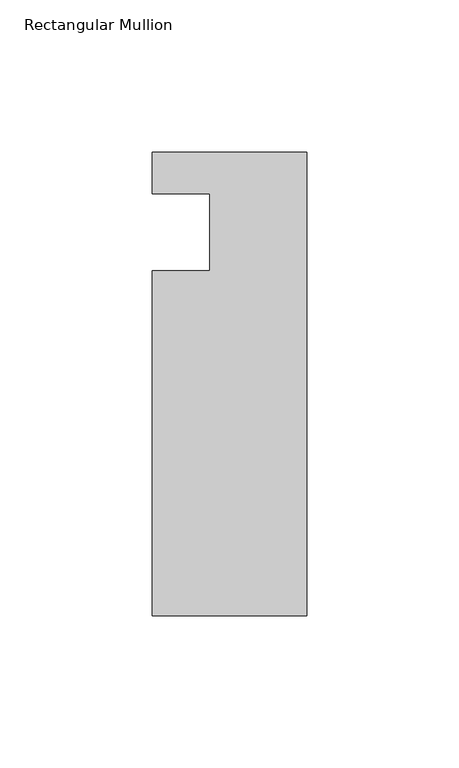
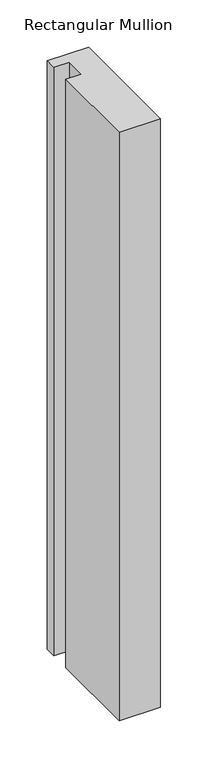
"""IFC4 building model written with IfcOpenShell, lengths in millimetres: member geometry, Rectangular Mullion."""

from ifc_helpers import new_model, si_unit, frame, origin, place, context, project, spatial, polyline, outline, extrude, source, transform, mapped, element, save


def rectangular_mullion_6863dba8(model_context):
    return source(origin(), model_context, "Body", "SweptSolid", [
        extrude(outline(polyline([(-50.8, 13.6728928), (0.0, 13.6728928), (0.0, -138.7271072), (-50.8, -138.7271072), (-50.8, -25.4), (-31.75, -25.4), (-31.75, 0.0), (-50.8, 0.0), (-50.8, 13.6728928)])), frame((0.0, 0.0, -762.0), z_axis=(0.0, 0.0, 1.0), x_axis=(1.0, 0.0, 0.0)), (0.0, 0.0, 1.0), 762.0),
    ])


if __name__ == "__main__":
    model = new_model("IFC4")
    model_context = context("Model", 3, world=origin())
    ifc_project = project(units=[si_unit("LENGTHUNIT", "METRE", prefix="MILLI")], contexts=[model_context])
    site = spatial("IfcSite", under=ifc_project)
    building = spatial("IfcBuilding", under=site)
    placement = place(None, origin())
    rectangular_mullion_shape = rectangular_mullion_6863dba8(model_context)
    element("IfcMember", 1, ObjectType="Rectangular Mullion", at=placement, inside=building, context=model_context, shape_type="MappedRepresentation", body=[
        mapped(rectangular_mullion_shape, transform((0.0, 0.0, 0.0), x_axis=(1.0, 0.0, 0.0), y_axis=(0.0, 1.0, 0.0), z_axis=(0.0, 0.0, 1.0))),
    ])
    save(model, "model.ifc")
